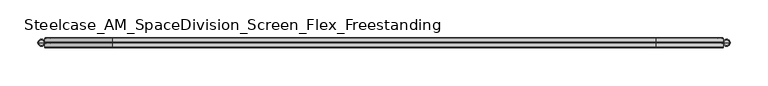
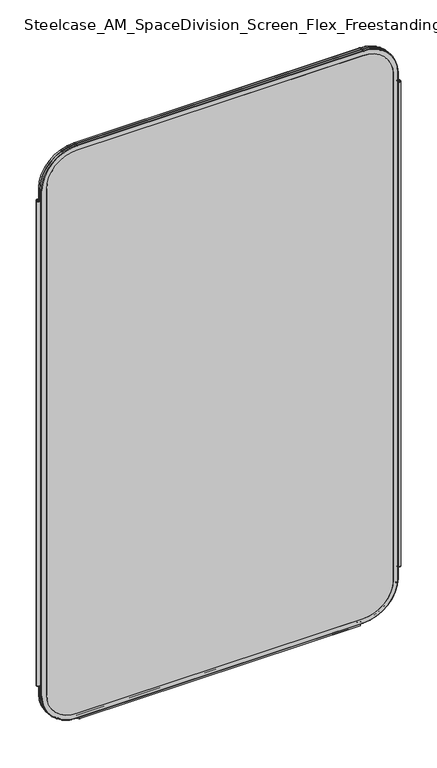
"""IFC4 building model written with IfcOpenShell, lengths in millimetres: furniture geometry, Steelcase_AM_SpaceDivision_Screen_Flex_Freestanding."""

from ifc_helpers import new_model, si_unit, point, frame, frame_2d, origin, place, context, project, spatial, polyline, circle_curve, ellipse_curve, trimmed, segment, composite_curve, outline, extrude, source, transform, mapped, element, save
from ifc_brep_helpers import plane_surface, cylinder_surface, revolved_surface, advanced_brep


def steelcase_am_spacedivision_screen_flex_freestanding_c9cfb70a(model_context):
    return source(origin(), model_context, "Body", "SolidModel", [
        advanced_brep(
        [(913.13, 0.0, 1408.43), (906.5294661, 0.0, 1408.43), (909.829733, 0.0, 1408.43), (914.4, 0.0, 1407.16), (905.2594661, 0.0, 1407.16), (914.4, 0.0, 121.92), (905.2594661, 0.0, 121.92), (913.13, 0.0, 120.65), (906.5294661, 0.0, 120.65), (909.829733, 0.0, 120.65)],
        [
            (0, 1, circle_curve(frame((909.829733, 0.0, 1408.43), z_axis=(0.0, 0.0, 1.0), x_axis=(-1.0, 0.0, 0.0)), 3.300267)),
            (1, 2),
            (2, 0),
            (1, 0, circle_curve(frame((909.829733, 0.0, 1408.43), z_axis=(0.0, 0.0, 1.0), x_axis=(-1.0, 0.0, 0.0)), 3.300267)),
            (3, 4, circle_curve(frame((909.829733, 0.0, 1407.16), z_axis=(0.0, 0.0, 1.0), x_axis=(-1.0, 0.0, 0.0)), 4.570267)),
            (4, 1, circle_curve(frame((906.5294661, 0.0, 1407.16), z_axis=(0.0, 1.0, 0.0), x_axis=(1.0, 0.0, 0.0)), 1.27)),
            (0, 3, circle_curve(frame((913.13, 0.0, 1407.16), z_axis=(0.0, 1.0, 0.0), x_axis=(-1.0, 0.0, 0.0)), 1.27)),
            (4, 3, circle_curve(frame((909.829733, 0.0, 1407.16), z_axis=(0.0, 0.0, 1.0), x_axis=(-1.0, 0.0, 0.0)), 4.570267)),
            (5, 6, circle_curve(frame((909.829733, 0.0, 121.92), z_axis=(0.0, 0.0, 1.0), x_axis=(-1.0, 0.0, 0.0)), 4.570267)),
            (6, 4),
            (3, 5),
            (6, 5, circle_curve(frame((909.829733, 0.0, 121.92), z_axis=(0.0, 0.0, 1.0), x_axis=(-1.0, 0.0, 0.0)), 4.570267)),
            (7, 8, circle_curve(frame((909.829733, 0.0, 120.65), z_axis=(0.0, 0.0, 1.0), x_axis=(-1.0, 0.0, 0.0)), 3.300267)),
            (8, 6, circle_curve(frame((906.5294661, 0.0, 121.92), z_axis=(0.0, 1.0, 0.0), x_axis=(1.0, 0.0, 0.0)), 1.27)),
            (5, 7, circle_curve(frame((913.13, 0.0, 121.92), z_axis=(0.0, 1.0, 0.0), x_axis=(-1.0, 0.0, 0.0)), 1.27)),
            (8, 7, circle_curve(frame((909.829733, 0.0, 120.65), z_axis=(0.0, 0.0, 1.0), x_axis=(-1.0, 0.0, 0.0)), 3.300267)),
            (9, 8),
            (7, 9),
        ],
        [
            plane_surface(frame((909.829733, 0.0, 1408.43), z_axis=(0.0, 0.0, 1.0), x_axis=(-1.0, 0.0, 0.0))),
            revolved_surface(trimmed(ellipse_curve(frame((906.5294661, 0.0, 1407.16), z_axis=(0.0, -1.0, 0.0), x_axis=(1.0, 0.0, 0.0)), 1.27, 1.27), [point((906.5294661, 0.0, 1408.43))], [point((905.2594661, 0.0, 1407.16))], True, "CARTESIAN"), (909.829733, 0.0, 112.3021634), (0.0, 0.0, -1.0)),
            cylinder_surface(frame((909.829733, 0.0, 112.3021634), z_axis=(0.0, 0.0, -1.0), x_axis=(-1.0, 0.0, 0.0)), 4.570267),
            revolved_surface(trimmed(ellipse_curve(frame((906.5294661, 0.0, 121.92), z_axis=(0.0, -1.0, 0.0), x_axis=(1.0, 0.0, 0.0)), 1.27, 1.27), [point((905.2594661, 0.0, 121.92))], [point((906.5294661, 0.0, 120.65))], True, "CARTESIAN"), (909.829733, 0.0, 112.3021634), (0.0, 0.0, -1.0)),
            plane_surface(frame((909.829733, 0.0, 120.65), z_axis=(0.0, 0.0, -1.0), x_axis=(-1.0, 0.0, 0.0))),
        ],
        [
            (0, [[1, 2, 3]]),
            (0, [[4, -3, -2]]),
            (1, [[5, 6, -1, 7]]),
            (1, [[8, -7, -4, -6]]),
            (2, [[9, 10, -5, 11]]),
            (2, [[12, -11, -8, -10]]),
            (3, [[13, 14, -9, 15]]),
            (3, [[16, -15, -12, -14]]),
            (4, [[17, -13, 18]]),
            (4, [[-18, -16, -17]]),
        ],
    ),
        advanced_brep(
        [(7.9329041, 0.0, 120.65), (1.232448, 0.0, 120.65), (0.0, 0.0, 121.882448), (9.1653521, 0.0, 121.882448), (4.582676, 0.0, 120.65), (7.8953521, 0.0, 1408.43), (1.27, 0.0, 1408.43), (4.582676, 0.0, 1408.43), (9.1653521, 0.0, 1407.16), (0.0, 0.0, 1407.16)],
        [
            (0, 1, circle_curve(frame((4.582676, 0.0, 120.65), z_axis=(0.0, 0.0, 1.0), x_axis=(-1.0, 0.0, 0.0)), 3.3502281)),
            (1, 2, circle_curve(frame((1.232448, 0.0, 121.882448), z_axis=(0.0, 1.0, 0.0), x_axis=(1.0, 0.0, 0.0)), 1.232448)),
            (2, 3, circle_curve(frame((4.582676, 0.0, 121.882448), z_axis=(0.0, 0.0, -1.0), x_axis=(-1.0, 0.0, 0.0)), 4.582676)),
            (3, 0, circle_curve(frame((7.9329041, 0.0, 121.882448), z_axis=(0.0, 1.0, 0.0), x_axis=(-1.0, 0.0, 0.0)), 1.232448)),
            (1, 0, circle_curve(frame((4.582676, 0.0, 120.65), z_axis=(0.0, 0.0, 1.0), x_axis=(-1.0, 0.0, 0.0)), 3.3502281)),
            (3, 2, circle_curve(frame((4.582676, 0.0, 121.882448), z_axis=(0.0, 0.0, -1.0), x_axis=(-1.0, 0.0, 0.0)), 4.582676)),
            (4, 1),
            (0, 4),
            (5, 6, circle_curve(frame((4.582676, 0.0, 1408.43), z_axis=(0.0, 0.0, 1.0), x_axis=(-1.0, 0.0, 0.0)), 3.312676)),
            (6, 7),
            (7, 5),
            (6, 5, circle_curve(frame((4.582676, 0.0, 1408.43), z_axis=(0.0, 0.0, 1.0), x_axis=(-1.0, 0.0, 0.0)), 3.312676)),
            (8, 9, circle_curve(frame((4.582676, 0.0, 1407.16), z_axis=(0.0, 0.0, 1.0), x_axis=(-1.0, 0.0, 0.0)), 4.582676)),
            (9, 6, circle_curve(frame((1.27, 0.0, 1407.16), z_axis=(0.0, 1.0, 0.0), x_axis=(1.0, 0.0, 0.0)), 1.27)),
            (5, 8, circle_curve(frame((7.8953521, 0.0, 1407.16), z_axis=(0.0, 1.0, 0.0), x_axis=(-1.0, 0.0, 0.0)), 1.27)),
            (9, 8, circle_curve(frame((4.582676, 0.0, 1407.16), z_axis=(0.0, 0.0, 1.0), x_axis=(-1.0, 0.0, 0.0)), 4.582676)),
            (2, 9),
            (8, 3),
        ],
        [
            revolved_surface(trimmed(ellipse_curve(frame((1.232448, 0.0, 121.882448), z_axis=(0.0, -1.0, 0.0), x_axis=(1.0, 0.0, 0.0)), 1.232448, 1.232448), [point((0.0, 0.0, 121.882448))], [point((1.232448, 0.0, 120.65))], True, "CARTESIAN"), (4.582676, 0.0, 110.6453157), (0.0, 0.0, -1.0)),
            plane_surface(frame((4.582676, 0.0, 120.65), z_axis=(0.0, 0.0, -1.0), x_axis=(-1.0, 0.0, 0.0))),
            plane_surface(frame((4.582676, 0.0, 1408.43), z_axis=(0.0, 0.0, 1.0), x_axis=(-1.0, 0.0, 0.0))),
            revolved_surface(trimmed(ellipse_curve(frame((1.27, 0.0, 1407.16), z_axis=(0.0, -1.0, 0.0), x_axis=(1.0, 0.0, 0.0)), 1.27, 1.27), [point((1.27, 0.0, 1408.43))], [point((0.0, 0.0, 1407.16))], True, "CARTESIAN"), (4.582676, 0.0, 110.6453157), (0.0, 0.0, -1.0)),
            cylinder_surface(frame((4.582676, 0.0, 110.6453157), z_axis=(0.0, 0.0, -1.0), x_axis=(-1.0, 0.0, 0.0)), 4.582676),
        ],
        [
            (0, [[1, 2, 3, 4]]),
            (0, [[5, -4, 6, -2]]),
            (1, [[7, -1, 8]]),
            (1, [[-8, -5, -7]]),
            (2, [[9, 10, 11]]),
            (2, [[12, -11, -10]]),
            (3, [[13, 14, -9, 15]]),
            (3, [[16, -15, -12, -14]]),
            (4, [[-3, 17, -13, 18]]),
            (4, [[-6, -18, -16, -17]]),
        ],
    ),
        extrude(outline(composite_curve([segment(trimmed(circle_curve(frame_2d((3.5, 2.4751953)), 2.5), [point((3.5, 4.9751953))], [point((1.4656663, 1.0220998))], False, "CARTESIAN"), True, "CONTINUOUS"), segment(trimmed(circle_curve(frame_2d((0.0, -0.0248047)), 1.8011626), [point((1.4656663, 1.0220998))], [point((-1.4656663, 1.0220998))], True, "CARTESIAN"), True, "CONTINUOUS"), segment(trimmed(circle_curve(frame_2d((-3.5, 2.4751953)), 2.5), [point((-1.4656663, 1.0220998))], [point((-3.5, 4.9751953))], False, "CARTESIAN"), True, "CONTINUOUS"), segment(trimmed(circle_curve(frame_2d((-3.5, 4.4751953)), 0.5), [point((-3.5, 4.9751953))], [point((-3.5, 3.9751953))], False, "CARTESIAN"), True, "CONTINUOUS"), segment(trimmed(circle_curve(frame_2d((-3.5, 2.4751953)), 1.5), [point((-3.5, 3.9751953))], [point((-2.3025096, 1.5718589))], True, "CARTESIAN"), True, "CONTINUOUS"), segment(trimmed(circle_curve(frame_2d((-10.3325937, 7.629417)), 10.0586411), [point((-2.3025096, 1.5718589))], [point((-0.714976, 4.6836248))], True, "CARTESIAN"), True, "CONTINUOUS"), segment(trimmed(circle_curve(frame_2d((0.0, 4.4646339)), 0.7477618), [point((-0.714976, 4.6836248))], [point((0.714976, 4.6836248))], False, "CARTESIAN"), True, "CONTINUOUS"), segment(trimmed(circle_curve(frame_2d((10.3325937, 7.629417)), 10.0586411), [point((0.714976, 4.6836248))], [point((2.3025096, 1.5718589))], True, "CARTESIAN"), True, "CONTINUOUS"), segment(trimmed(circle_curve(frame_2d((3.5, 2.4751953)), 1.5), [point((2.3025096, 1.5718589))], [point((3.5, 3.9751953))], True, "CARTESIAN"), True, "CONTINUOUS"), segment(trimmed(circle_curve(frame_2d((3.5, 4.4751953)), 0.5), [point((3.5, 3.9751953))], [point((3.5, 4.9751953))], False, "CARTESIAN"), True, "CONTINUOUS")], self_intersect=False)), frame((104.1640108, 0.0, 0.0), z_axis=(1.0, 0.0, 0.0), x_axis=(0.0, 1.0, 0.0)), (0.0, 0.0, 1.0), 706.0719784),
        extrude(outline(composite_curve([segment(trimmed(circle_curve(frame_2d((1435.1, 816.3594661)), 76.2), [point((1435.1, 892.5594661))], [point((1511.3, 816.3594661))], False, "CARTESIAN"), True, "CONTINUOUS"), segment(polyline([(1511.3, 816.3594661), (1511.3, 98.0653521)]), True, "CONTINUOUS"), segment(trimmed(circle_curve(frame_2d((1435.1, 98.0653521)), 76.2), [point((1511.3, 98.0653521))], [point((1435.1, 21.8653521))], False, "CARTESIAN"), True, "CONTINUOUS"), segment(polyline([(1435.1, 21.8653521), (93.8996464, 21.8653521)]), True, "CONTINUOUS"), segment(trimmed(circle_curve(frame_2d((93.8996464, 98.0653521)), 76.2), [point((93.8996464, 21.8653521))], [point((17.6996464, 98.0653521))], False, "CARTESIAN"), True, "CONTINUOUS"), segment(polyline([(17.6996464, 98.0653521), (17.6996464, 816.3594661)]), True, "CONTINUOUS"), segment(trimmed(circle_curve(frame_2d((93.8996464, 816.3594661)), 76.2), [point((17.6996464, 816.3594661))], [point((93.8996464, 892.5594661))], False, "CARTESIAN"), True, "CONTINUOUS"), segment(polyline([(93.8996464, 892.5594661), (1435.1, 892.5594661)]), True, "CONTINUOUS")], self_intersect=False)), frame((0.0, -6.477, 0.0), z_axis=(0.0, 1.0, 0.0), x_axis=(0.0, 0.0, 1.0)), (0.0, 0.0, 1.0), 12.954),
        advanced_brep(
        [(98.0653521, -6.477, 1511.3), (21.8653521, -6.477, 1435.1), (21.8653521, 6.477, 1435.1), (98.0653521, 6.477, 1511.3), (98.0653521, -5.715, 1524.0), (9.1653521, -5.715, 1435.1), (9.9273521, -6.477, 1435.1), (98.0653521, -6.477, 1523.238), (98.0653521, -0.8129491, 1524.0), (9.1653521, -0.8129491, 1435.1), (98.0653521, 0.0, 1523.4093579), (9.7559942, 0.0, 1435.1), (98.0653521, 0.8129491, 1524.0), (9.1653521, 0.8129491, 1435.1), (98.0653521, 5.715, 1524.0), (9.1653521, 5.715, 1435.1), (98.0653521, 6.477, 1523.238), (9.9273521, 6.477, 1435.1), (816.3594661, 6.477, 1511.3), (816.3594661, -6.477, 1511.3), (816.3594661, -6.477, 1523.238), (816.3594661, -5.715, 1524.0), (816.3594661, -0.8129491, 1524.0), (816.3594661, 0.0, 1523.4093579), (816.3594661, 0.8129491, 1524.0), (816.3594661, 5.715, 1524.0), (816.3594661, 6.477, 1523.238), (892.5594661, -6.477, 1435.1), (892.5594661, 6.477, 1435.1), (905.2594661, -5.715, 1435.1), (904.4974661, -6.477, 1435.1), (905.2594661, -0.8129491, 1435.1), (904.6688239, 0.0, 1435.1), (905.2594661, 0.8129491, 1435.1), (905.2594661, 5.715, 1435.1), (904.4974661, 6.477, 1435.1), (892.5594661, 6.477, 93.8996464), (892.5594661, -6.477, 93.8996464), (904.4974661, -6.477, 93.8996464), (905.2594661, -5.715, 93.8996464), (905.2594661, -0.8129491, 93.8996464), (904.6688239, 0.0, 93.8996464), (905.2594661, 0.8129491, 93.8996464), (905.2594661, 5.715, 93.8996464), (904.4974661, 6.477, 93.8996464), (816.3594661, -6.477, 17.6996464), (816.3594661, 6.477, 17.6996464), (816.3594661, -5.715, 4.9996464), (816.3594661, -6.477, 5.7616464), (816.3594661, -0.8129491, 4.9996464), (816.3594661, 0.0, 5.5902885), (816.3594661, 0.8129491, 4.9996464), (816.3594661, 5.715, 4.9996464), (816.3594661, 6.477, 5.7616464), (98.0653521, 6.477, 17.6996464), (98.0653521, -6.477, 17.6996464), (98.0653521, -6.477, 5.7616464), (98.0653521, -5.715, 4.9996464), (98.0653521, -0.8129491, 4.9996464), (98.0653521, 0.0, 5.5902885), (98.0653521, 0.8129491, 4.9996464), (98.0653521, 5.715, 4.9996464), (98.0653521, 6.477, 5.7616464), (21.8653521, -6.477, 93.8996464), (21.8653521, 6.477, 93.8996464), (9.1653521, -5.715, 93.8996464), (9.9273521, -6.477, 93.8996464), (9.1653521, -0.8129491, 93.8996464), (9.7559942, 0.0, 93.8996464), (9.1653521, 0.8129491, 93.8996464), (9.1653521, 5.715, 93.8996464), (9.9273521, 6.477, 93.8996464)],
        [
            (0, 1, circle_curve(frame((98.0653521, -6.477, 1435.1), z_axis=(0.0, -1.0, 0.0), x_axis=(-1.0, 0.0, 0.0)), 76.2)),
            (1, 2),
            (2, 3, circle_curve(frame((98.0653521, 6.477, 1435.1), z_axis=(0.0, 1.0, 0.0), x_axis=(-1.0, 0.0, 0.0)), 76.2)),
            (3, 0),
            (4, 5, circle_curve(frame((98.0653521, -5.715, 1435.1), z_axis=(0.0, -1.0, 0.0), x_axis=(-1.0, 0.0, 0.0)), 88.9)),
            (5, 6, circle_curve(frame((9.9273521, -5.715, 1435.1), z_axis=(0.0, 0.0, 1.0), x_axis=(-1.0, 0.0, 0.0)), 0.762)),
            (6, 7, circle_curve(frame((98.0653521, -6.477, 1435.1), z_axis=(0.0, 1.0, 0.0), x_axis=(-1.0, 0.0, 0.0)), 88.138)),
            (7, 4, circle_curve(frame((98.0653521, -5.715, 1523.238), z_axis=(-1.0, 0.0, 0.0), x_axis=(0.0, 0.0, 1.0)), 0.762)),
            (8, 9, circle_curve(frame((98.0653521, -0.8129491, 1435.1), z_axis=(0.0, -1.0, 0.0), x_axis=(-1.0, 0.0, 0.0)), 88.9)),
            (9, 5),
            (4, 8),
            (10, 11, circle_curve(frame((98.0653521, 0.0, 1435.1), z_axis=(0.0, -1.0, 0.0), x_axis=(-1.0, 0.0, 0.0)), 88.3093579)),
            (11, 9, circle_curve(frame((10.0201374, -0.8129491, 1435.1), z_axis=(0.0, 0.0, 1.0), x_axis=(-1.0, 0.0, 0.0)), 0.8547853)),
            (8, 10, circle_curve(frame((98.0653521, -0.8129491, 1523.1452147), z_axis=(-1.0, 0.0, 0.0), x_axis=(0.0, 0.0, 1.0)), 0.8547853)),
            (12, 13, circle_curve(frame((98.0653521, 0.8129491, 1435.1), z_axis=(0.0, -1.0, 0.0), x_axis=(-1.0, 0.0, 0.0)), 88.9)),
            (13, 11, circle_curve(frame((10.0201374, 0.8129491, 1435.1), z_axis=(0.0, 0.0, 1.0), x_axis=(-1.0, 0.0, 0.0)), 0.8547853)),
            (10, 12, circle_curve(frame((98.0653521, 0.8129491, 1523.1452147), z_axis=(-1.0, 0.0, 0.0), x_axis=(0.0, 0.0, 1.0)), 0.8547853)),
            (14, 15, circle_curve(frame((98.0653521, 5.715, 1435.1), z_axis=(0.0, -1.0, 0.0), x_axis=(-1.0, 0.0, 0.0)), 88.9)),
            (15, 13),
            (12, 14),
            (16, 17, circle_curve(frame((98.0653521, 6.477, 1435.1), z_axis=(0.0, -1.0, 0.0), x_axis=(-1.0, 0.0, 0.0)), 88.138)),
            (17, 15, circle_curve(frame((9.9273521, 5.715, 1435.1), z_axis=(0.0, 0.0, 1.0), x_axis=(-1.0, 0.0, 0.0)), 0.762)),
            (14, 16, circle_curve(frame((98.0653521, 5.715, 1523.238), z_axis=(-1.0, 0.0, 0.0), x_axis=(0.0, 0.0, 1.0)), 0.762)),
            (3, 18),
            (18, 19),
            (19, 0),
            (7, 20),
            (20, 21, circle_curve(frame((816.3594661, -5.715, 1523.238), z_axis=(-1.0, 0.0, 0.0), x_axis=(0.0, 0.0, 1.0)), 0.762)),
            (21, 4),
            (21, 22),
            (22, 8),
            (22, 23, circle_curve(frame((816.3594661, -0.8129491, 1523.1452147), z_axis=(-1.0, 0.0, 0.0), x_axis=(0.0, 0.0, 1.0)), 0.8547853)),
            (23, 10),
            (23, 24, circle_curve(frame((816.3594661, 0.8129491, 1523.1452147), z_axis=(-1.0, 0.0, 0.0), x_axis=(0.0, 0.0, 1.0)), 0.8547853)),
            (24, 12),
            (24, 25),
            (25, 14),
            (25, 26, circle_curve(frame((816.3594661, 5.715, 1523.238), z_axis=(-1.0, 0.0, 0.0), x_axis=(0.0, 0.0, 1.0)), 0.762)),
            (26, 16),
            (27, 19, circle_curve(frame((816.3594661, -6.477, 1435.1), z_axis=(0.0, -1.0, 0.0), x_axis=(0.0, 0.0, 1.0)), 76.2)),
            (18, 28, circle_curve(frame((816.3594661, 6.477, 1435.1), z_axis=(0.0, 1.0, 0.0), x_axis=(0.0, 0.0, 1.0)), 76.2)),
            (28, 27),
            (29, 21, circle_curve(frame((816.3594661, -5.715, 1435.1), z_axis=(0.0, -1.0, 0.0), x_axis=(0.0, 0.0, 1.0)), 88.9)),
            (20, 30, circle_curve(frame((816.3594661, -6.477, 1435.1), z_axis=(0.0, 1.0, 0.0), x_axis=(0.0, 0.0, 1.0)), 88.138)),
            (30, 29, circle_curve(frame((904.4974661, -5.715, 1435.1), z_axis=(0.0, 0.0, 1.0), x_axis=(1.0, 0.0, 0.0)), 0.762)),
            (31, 22, circle_curve(frame((816.3594661, -0.8129491, 1435.1), z_axis=(0.0, -1.0, 0.0), x_axis=(0.0, 0.0, 1.0)), 88.9)),
            (29, 31),
            (32, 23, circle_curve(frame((816.3594661, 0.0, 1435.1), z_axis=(0.0, -1.0, 0.0), x_axis=(0.0, 0.0, 1.0)), 88.3093579)),
            (31, 32, circle_curve(frame((904.4046808, -0.8129491, 1435.1), z_axis=(0.0, 0.0, 1.0), x_axis=(1.0, 0.0, 0.0)), 0.8547853)),
            (33, 24, circle_curve(frame((816.3594661, 0.8129491, 1435.1), z_axis=(0.0, -1.0, 0.0), x_axis=(0.0, 0.0, 1.0)), 88.9)),
            (32, 33, circle_curve(frame((904.4046808, 0.8129491, 1435.1), z_axis=(0.0, 0.0, 1.0), x_axis=(1.0, 0.0, 0.0)), 0.8547853)),
            (34, 25, circle_curve(frame((816.3594661, 5.715, 1435.1), z_axis=(0.0, -1.0, 0.0), x_axis=(0.0, 0.0, 1.0)), 88.9)),
            (33, 34),
            (35, 26, circle_curve(frame((816.3594661, 6.477, 1435.1), z_axis=(0.0, -1.0, 0.0), x_axis=(0.0, 0.0, 1.0)), 88.138)),
            (34, 35, circle_curve(frame((904.4974661, 5.715, 1435.1), z_axis=(0.0, 0.0, 1.0), x_axis=(1.0, 0.0, 0.0)), 0.762)),
            (28, 36),
            (36, 37),
            (37, 27),
            (30, 38),
            (38, 39, circle_curve(frame((904.4974661, -5.715, 93.8996464), z_axis=(0.0, 0.0, 1.0), x_axis=(1.0, 0.0, 0.0)), 0.762)),
            (39, 29),
            (39, 40),
            (40, 31),
            (40, 41, circle_curve(frame((904.4046808, -0.8129491, 93.8996464), z_axis=(0.0, 0.0, 1.0), x_axis=(1.0, 0.0, 0.0)), 0.8547853)),
            (41, 32),
            (41, 42, circle_curve(frame((904.4046808, 0.8129491, 93.8996464), z_axis=(0.0, 0.0, 1.0), x_axis=(1.0, 0.0, 0.0)), 0.8547853)),
            (42, 33),
            (42, 43),
            (43, 34),
            (43, 44, circle_curve(frame((904.4974661, 5.715, 93.8996464), z_axis=(0.0, 0.0, 1.0), x_axis=(1.0, 0.0, 0.0)), 0.762)),
            (44, 35),
            (45, 37, circle_curve(frame((816.3594661, -6.477, 93.8996464), z_axis=(0.0, -1.0, 0.0), x_axis=(1.0, 0.0, 0.0)), 76.2)),
            (36, 46, circle_curve(frame((816.3594661, 6.477, 93.8996464), z_axis=(0.0, 1.0, 0.0), x_axis=(1.0, 0.0, 0.0)), 76.2)),
            (46, 45),
            (47, 39, circle_curve(frame((816.3594661, -5.715, 93.8996464), z_axis=(0.0, -1.0, 0.0), x_axis=(1.0, 0.0, 0.0)), 88.9)),
            (38, 48, circle_curve(frame((816.3594661, -6.477, 93.8996464), z_axis=(0.0, 1.0, 0.0), x_axis=(1.0, 0.0, 0.0)), 88.138)),
            (48, 47, circle_curve(frame((816.3594661, -5.715, 5.7616464), z_axis=(1.0, 0.0, 0.0), x_axis=(0.0, 0.0, -1.0)), 0.762)),
            (49, 40, circle_curve(frame((816.3594661, -0.8129491, 93.8996464), z_axis=(0.0, -1.0, 0.0), x_axis=(1.0, 0.0, 0.0)), 88.9)),
            (47, 49),
            (50, 41, circle_curve(frame((816.3594661, 0.0, 93.8996464), z_axis=(0.0, -1.0, 0.0), x_axis=(1.0, 0.0, 0.0)), 88.3093579)),
            (49, 50, circle_curve(frame((816.3594661, -0.8129491, 5.8544317), z_axis=(1.0, 0.0, 0.0), x_axis=(0.0, 0.0, -1.0)), 0.8547853)),
            (51, 42, circle_curve(frame((816.3594661, 0.8129491, 93.8996464), z_axis=(0.0, -1.0, 0.0), x_axis=(1.0, 0.0, 0.0)), 88.9)),
            (50, 51, circle_curve(frame((816.3594661, 0.8129491, 5.8544317), z_axis=(1.0, 0.0, 0.0), x_axis=(0.0, 0.0, -1.0)), 0.8547853)),
            (52, 43, circle_curve(frame((816.3594661, 5.715, 93.8996464), z_axis=(0.0, -1.0, 0.0), x_axis=(1.0, 0.0, 0.0)), 88.9)),
            (51, 52),
            (53, 44, circle_curve(frame((816.3594661, 6.477, 93.8996464), z_axis=(0.0, -1.0, 0.0), x_axis=(1.0, 0.0, 0.0)), 88.138)),
            (52, 53, circle_curve(frame((816.3594661, 5.715, 5.7616464), z_axis=(1.0, 0.0, 0.0), x_axis=(0.0, 0.0, -1.0)), 0.762)),
            (46, 54),
            (54, 55),
            (55, 45),
            (48, 56),
            (56, 57, circle_curve(frame((98.0653521, -5.715, 5.7616464), z_axis=(1.0, 0.0, 0.0), x_axis=(0.0, 0.0, -1.0)), 0.762)),
            (57, 47),
            (57, 58),
            (58, 49),
            (58, 59, circle_curve(frame((98.0653521, -0.8129491, 5.8544317), z_axis=(1.0, 0.0, 0.0), x_axis=(0.0, 0.0, -1.0)), 0.8547853)),
            (59, 50),
            (59, 60, circle_curve(frame((98.0653521, 0.8129491, 5.8544317), z_axis=(1.0, 0.0, 0.0), x_axis=(0.0, 0.0, -1.0)), 0.8547853)),
            (60, 51),
            (60, 61),
            (61, 52),
            (61, 62, circle_curve(frame((98.0653521, 5.715, 5.7616464), z_axis=(1.0, 0.0, 0.0), x_axis=(0.0, 0.0, -1.0)), 0.762)),
            (62, 53),
            (63, 55, circle_curve(frame((98.0653521, -6.477, 93.8996464), z_axis=(0.0, -1.0, 0.0), x_axis=(0.0, 0.0, -1.0)), 76.2)),
            (54, 64, circle_curve(frame((98.0653521, 6.477, 93.8996464), z_axis=(0.0, 1.0, 0.0), x_axis=(0.0, 0.0, -1.0)), 76.2)),
            (64, 63),
            (65, 57, circle_curve(frame((98.0653521, -5.715, 93.8996464), z_axis=(0.0, -1.0, 0.0), x_axis=(0.0, 0.0, -1.0)), 88.9)),
            (56, 66, circle_curve(frame((98.0653521, -6.477, 93.8996464), z_axis=(0.0, 1.0, 0.0), x_axis=(0.0, 0.0, -1.0)), 88.138)),
            (66, 65, circle_curve(frame((9.9273521, -5.715, 93.8996464), z_axis=(0.0, 0.0, -1.0), x_axis=(-1.0, 0.0, 0.0)), 0.762)),
            (67, 58, circle_curve(frame((98.0653521, -0.8129491, 93.8996464), z_axis=(0.0, -1.0, 0.0), x_axis=(0.0, 0.0, -1.0)), 88.9)),
            (65, 67),
            (68, 59, circle_curve(frame((98.0653521, 0.0, 93.8996464), z_axis=(0.0, -1.0, 0.0), x_axis=(0.0, 0.0, -1.0)), 88.3093579)),
            (67, 68, circle_curve(frame((10.0201374, -0.8129491, 93.8996464), z_axis=(0.0, 0.0, -1.0), x_axis=(-1.0, 0.0, 0.0)), 0.8547853)),
            (69, 60, circle_curve(frame((98.0653521, 0.8129491, 93.8996464), z_axis=(0.0, -1.0, 0.0), x_axis=(0.0, 0.0, -1.0)), 88.9)),
            (68, 69, circle_curve(frame((10.0201374, 0.8129491, 93.8996464), z_axis=(0.0, 0.0, -1.0), x_axis=(-1.0, 0.0, 0.0)), 0.8547853)),
            (70, 61, circle_curve(frame((98.0653521, 5.715, 93.8996464), z_axis=(0.0, -1.0, 0.0), x_axis=(0.0, 0.0, -1.0)), 88.9)),
            (69, 70),
            (71, 62, circle_curve(frame((98.0653521, 6.477, 93.8996464), z_axis=(0.0, -1.0, 0.0), x_axis=(0.0, 0.0, -1.0)), 88.138)),
            (70, 71, circle_curve(frame((9.9273521, 5.715, 93.8996464), z_axis=(0.0, 0.0, -1.0), x_axis=(-1.0, 0.0, 0.0)), 0.762)),
            (64, 2),
            (1, 63),
            (6, 66),
            (5, 65),
            (9, 67),
            (11, 68),
            (13, 69),
            (15, 70),
            (17, 71),
        ],
        [
            revolved_surface(polyline([(21.865352099999996, 6.477, 1435.1), (21.865352099999996, -6.477, 1435.1)]), (98.0653521, 0.0, 1435.1), (0.0, 1.0, 0.0)),
            revolved_surface(trimmed(ellipse_curve(frame((9.9273521, -5.715, 1435.1), z_axis=(0.0, 0.0, -1.0), x_axis=(-1.0, 0.0, 0.0)), 0.762, 0.762), [point((9.9273521, -6.477, 1435.1))], [point((9.1653521, -5.715, 1435.1))], True, "CARTESIAN"), (98.0653521, 0.0, 1435.1), (0.0, 1.0, 0.0)),
            cylinder_surface(frame((98.0653521, 0.0, 1435.1), z_axis=(0.0, 1.0, 0.0), x_axis=(-1.0, 0.0, 0.0)), 88.9),
            revolved_surface(trimmed(ellipse_curve(frame((10.0201374, -0.8129491, 1435.1), z_axis=(0.0, 0.0, -1.0), x_axis=(-1.0, 0.0, 0.0)), 0.8547853, 0.8547853), [point((9.1653521, -0.8129491, 1435.1))], [point((9.7559942, 0.0, 1435.1))], True, "CARTESIAN"), (98.0653521, 0.0, 1435.1), (0.0, 1.0, 0.0)),
            revolved_surface(trimmed(ellipse_curve(frame((10.0201374, 0.8129491, 1435.1), z_axis=(0.0, 0.0, -1.0), x_axis=(-1.0, 0.0, 0.0)), 0.8547853, 0.8547853), [point((9.7559942, 0.0, 1435.1))], [point((9.1653521, 0.8129491, 1435.1))], True, "CARTESIAN"), (98.0653521, 0.0, 1435.1), (0.0, 1.0, 0.0)),
            revolved_surface(trimmed(ellipse_curve(frame((9.9273521, 5.715, 1435.1), z_axis=(0.0, 0.0, -1.0), x_axis=(-1.0, 0.0, 0.0)), 0.762, 0.762), [point((9.1653521, 5.715, 1435.1))], [point((9.9273521, 6.477, 1435.1))], True, "CARTESIAN"), (98.0653521, 0.0, 1435.1), (0.0, 1.0, 0.0)),
            plane_surface(frame((98.0653521, 6.477, 1511.3), z_axis=(0.0, 0.0, -1.0), x_axis=(1.0, 0.0, 0.0))),
            cylinder_surface(frame((98.0653521, -5.715, 1523.238), z_axis=(-1.0, 0.0, 0.0), x_axis=(0.0, 0.0, 1.0)), 0.762),
            plane_surface(frame((98.0653521, -5.715, 1524.0), z_axis=(0.0, 0.0, 1.0), x_axis=(1.0, 0.0, 0.0))),
            cylinder_surface(frame((98.0653521, -0.8129491, 1523.1452147), z_axis=(-1.0, 0.0, 0.0), x_axis=(0.0, 0.0, 1.0)), 0.8547853),
            cylinder_surface(frame((98.0653521, 0.8129491, 1523.1452147), z_axis=(-1.0, 0.0, 0.0), x_axis=(0.0, 0.0, 1.0)), 0.8547853),
            plane_surface(frame((98.0653521, 0.8129491, 1524.0), z_axis=(0.0, 0.0, 1.0), x_axis=(1.0, 0.0, 0.0))),
            cylinder_surface(frame((98.0653521, 5.715, 1523.238), z_axis=(-1.0, 0.0, 0.0), x_axis=(0.0, 0.0, 1.0)), 0.762),
            revolved_surface(polyline([(816.3594661, 6.477, 1511.3), (816.3594661, -6.477, 1511.3)]), (816.3594661, 0.0, 1435.1), (0.0, 1.0, 0.0)),
            revolved_surface(trimmed(ellipse_curve(frame((816.3594661, -5.715, 1523.238), z_axis=(-1.0, 0.0, 0.0), x_axis=(0.0, 0.0, 1.0)), 0.762, 0.762), [point((816.3594661, -6.477, 1523.238))], [point((816.3594661, -5.715, 1524.0))], True, "CARTESIAN"), (816.3594661, 0.0, 1435.1), (0.0, 1.0, 0.0)),
            cylinder_surface(frame((816.3594661, 0.0, 1435.1), z_axis=(0.0, 1.0, 0.0), x_axis=(0.0, 0.0, 1.0)), 88.9),
            revolved_surface(trimmed(ellipse_curve(frame((816.3594661, -0.8129491, 1523.1452147), z_axis=(-1.0, 0.0, 0.0), x_axis=(0.0, 0.0, 1.0)), 0.8547853, 0.8547853), [point((816.3594661, -0.8129491, 1524.0))], [point((816.3594661, 0.0, 1523.4093579))], True, "CARTESIAN"), (816.3594661, 0.0, 1435.1), (0.0, 1.0, 0.0)),
            revolved_surface(trimmed(ellipse_curve(frame((816.3594661, 0.8129491, 1523.1452147), z_axis=(-1.0, 0.0, 0.0), x_axis=(0.0, 0.0, 1.0)), 0.8547853, 0.8547853), [point((816.3594661, 0.0, 1523.4093579))], [point((816.3594661, 0.8129491, 1524.0))], True, "CARTESIAN"), (816.3594661, 0.0, 1435.1), (0.0, 1.0, 0.0)),
            revolved_surface(trimmed(ellipse_curve(frame((816.3594661, 5.715, 1523.238), z_axis=(-1.0, 0.0, 0.0), x_axis=(0.0, 0.0, 1.0)), 0.762, 0.762), [point((816.3594661, 5.715, 1524.0))], [point((816.3594661, 6.477, 1523.238))], True, "CARTESIAN"), (816.3594661, 0.0, 1435.1), (0.0, 1.0, 0.0)),
            plane_surface(frame((892.5594661, 6.477, 1435.1), z_axis=(-1.0, 0.0, 0.0), x_axis=(0.0, 0.0, -1.0))),
            cylinder_surface(frame((904.4974661, -5.715, 1435.1), z_axis=(0.0, 0.0, 1.0), x_axis=(1.0, 0.0, 0.0)), 0.762),
            plane_surface(frame((905.2594661, -5.715, 1435.1), z_axis=(1.0, 0.0, 0.0), x_axis=(0.0, 0.0, -1.0))),
            cylinder_surface(frame((904.4046808, -0.8129491, 1435.1), z_axis=(0.0, 0.0, 1.0), x_axis=(1.0, 0.0, 0.0)), 0.8547853),
            cylinder_surface(frame((904.4046808, 0.8129491, 1435.1), z_axis=(0.0, 0.0, 1.0), x_axis=(1.0, 0.0, 0.0)), 0.8547853),
            plane_surface(frame((905.2594661, 0.8129491, 1435.1), z_axis=(1.0, 0.0, 0.0), x_axis=(0.0, 0.0, -1.0))),
            cylinder_surface(frame((904.4974661, 5.715, 1435.1), z_axis=(0.0, 0.0, 1.0), x_axis=(1.0, 0.0, 0.0)), 0.762),
            revolved_surface(polyline([(892.5594661, 6.477, 93.8996464), (892.5594661, -6.477, 93.8996464)]), (816.3594661, 0.0, 93.8996464), (0.0, 1.0, 0.0)),
            revolved_surface(trimmed(ellipse_curve(frame((904.4974661, -5.715, 93.8996464), z_axis=(0.0, 0.0, 1.0), x_axis=(1.0, 0.0, 0.0)), 0.762, 0.762), [point((904.4974661, -6.477, 93.8996464))], [point((905.2594661, -5.715, 93.8996464))], True, "CARTESIAN"), (816.3594661, 0.0, 93.8996464), (0.0, 1.0, 0.0)),
            cylinder_surface(frame((816.3594661, 0.0, 93.8996464), z_axis=(0.0, 1.0, 0.0), x_axis=(1.0, 0.0, 0.0)), 88.9),
            revolved_surface(trimmed(ellipse_curve(frame((904.4046808, -0.8129491, 93.8996464), z_axis=(0.0, 0.0, 1.0), x_axis=(1.0, 0.0, 0.0)), 0.8547853, 0.8547853), [point((905.2594661, -0.8129491, 93.8996464))], [point((904.6688239, 0.0, 93.8996464))], True, "CARTESIAN"), (816.3594661, 0.0, 93.8996464), (0.0, 1.0, 0.0)),
            revolved_surface(trimmed(ellipse_curve(frame((904.4046808, 0.8129491, 93.8996464), z_axis=(0.0, 0.0, 1.0), x_axis=(1.0, 0.0, 0.0)), 0.8547853, 0.8547853), [point((904.6688239, 0.0, 93.8996464))], [point((905.2594661, 0.8129491, 93.8996464))], True, "CARTESIAN"), (816.3594661, 0.0, 93.8996464), (0.0, 1.0, 0.0)),
            revolved_surface(trimmed(ellipse_curve(frame((904.4974661, 5.715, 93.8996464), z_axis=(0.0, 0.0, 1.0), x_axis=(1.0, 0.0, 0.0)), 0.762, 0.762), [point((905.2594661, 5.715, 93.8996464))], [point((904.4974661, 6.477, 93.8996464))], True, "CARTESIAN"), (816.3594661, 0.0, 93.8996464), (0.0, 1.0, 0.0)),
            plane_surface(frame((816.3594661, 6.477, 17.6996464), z_axis=(0.0, 0.0, 1.0), x_axis=(-1.0, 0.0, 0.0))),
            cylinder_surface(frame((816.3594661, -5.715, 5.7616464), z_axis=(1.0, 0.0, 0.0), x_axis=(0.0, 0.0, -1.0)), 0.762),
            plane_surface(frame((816.3594661, -5.715, 4.9996464), z_axis=(0.0, 0.0, -1.0), x_axis=(-1.0, 0.0, 0.0))),
            cylinder_surface(frame((816.3594661, -0.8129491, 5.8544317), z_axis=(1.0, 0.0, 0.0), x_axis=(0.0, 0.0, -1.0)), 0.8547853),
            cylinder_surface(frame((816.3594661, 0.8129491, 5.8544317), z_axis=(1.0, 0.0, 0.0), x_axis=(0.0, 0.0, -1.0)), 0.8547853),
            plane_surface(frame((816.3594661, 0.8129491, 4.9996464), z_axis=(0.0, 0.0, -1.0), x_axis=(-1.0, 0.0, 0.0))),
            cylinder_surface(frame((816.3594661, 5.715, 5.7616464), z_axis=(1.0, 0.0, 0.0), x_axis=(0.0, 0.0, -1.0)), 0.762),
            revolved_surface(polyline([(98.0653521, 6.477, 17.699646399999992), (98.0653521, -6.477, 17.699646399999992)]), (98.0653521, 0.0, 93.8996464), (0.0, 1.0, 0.0)),
            revolved_surface(trimmed(ellipse_curve(frame((98.0653521, -5.715, 5.7616464), z_axis=(1.0, 0.0, 0.0), x_axis=(0.0, 0.0, -1.0)), 0.762, 0.762), [point((98.0653521, -6.477, 5.7616464))], [point((98.0653521, -5.715, 4.9996464))], True, "CARTESIAN"), (98.0653521, 0.0, 93.8996464), (0.0, 1.0, 0.0)),
            cylinder_surface(frame((98.0653521, 0.0, 93.8996464), z_axis=(0.0, 1.0, 0.0), x_axis=(0.0, 0.0, -1.0)), 88.9),
            revolved_surface(trimmed(ellipse_curve(frame((98.0653521, -0.8129491, 5.8544317), z_axis=(1.0, 0.0, 0.0), x_axis=(0.0, 0.0, -1.0)), 0.8547853, 0.8547853), [point((98.0653521, -0.8129491, 4.9996464))], [point((98.0653521, 0.0, 5.5902885))], True, "CARTESIAN"), (98.0653521, 0.0, 93.8996464), (0.0, 1.0, 0.0)),
            revolved_surface(trimmed(ellipse_curve(frame((98.0653521, 0.8129491, 5.8544317), z_axis=(1.0, 0.0, 0.0), x_axis=(0.0, 0.0, -1.0)), 0.8547853, 0.8547853), [point((98.0653521, 0.0, 5.5902885))], [point((98.0653521, 0.8129491, 4.9996464))], True, "CARTESIAN"), (98.0653521, 0.0, 93.8996464), (0.0, 1.0, 0.0)),
            revolved_surface(trimmed(ellipse_curve(frame((98.0653521, 5.715, 5.7616464), z_axis=(1.0, 0.0, 0.0), x_axis=(0.0, 0.0, -1.0)), 0.762, 0.762), [point((98.0653521, 5.715, 4.9996464))], [point((98.0653521, 6.477, 5.7616464))], True, "CARTESIAN"), (98.0653521, 0.0, 93.8996464), (0.0, 1.0, 0.0)),
            plane_surface(frame((21.8653521, 6.477, 93.8996464), z_axis=(1.0, 0.0, 0.0), x_axis=(0.0, 0.0, 1.0))),
            plane_surface(frame((21.8653521, -6.477, 93.8996464), z_axis=(0.0, -1.0, 0.0), x_axis=(0.0, 0.0, 1.0))),
            cylinder_surface(frame((9.9273521, -5.715, 93.8996464), z_axis=(0.0, 0.0, -1.0), x_axis=(-1.0, 0.0, 0.0)), 0.762),
            plane_surface(frame((9.1653521, -5.715, 93.8996464), z_axis=(-1.0, 0.0, 0.0), x_axis=(0.0, 0.0, 1.0))),
            cylinder_surface(frame((10.0201374, -0.8129491, 93.8996464), z_axis=(0.0, 0.0, -1.0), x_axis=(-1.0, 0.0, 0.0)), 0.8547853),
            cylinder_surface(frame((10.0201374, 0.8129491, 93.8996464), z_axis=(0.0, 0.0, -1.0), x_axis=(-1.0, 0.0, 0.0)), 0.8547853),
            plane_surface(frame((9.1653521, 0.8129491, 93.8996464), z_axis=(-1.0, 0.0, 0.0), x_axis=(0.0, 0.0, 1.0))),
            cylinder_surface(frame((9.9273521, 5.715, 93.8996464), z_axis=(0.0, 0.0, -1.0), x_axis=(-1.0, 0.0, 0.0)), 0.762),
            plane_surface(frame((9.9273521, 6.477, 93.8996464), z_axis=(0.0, 1.0, 0.0), x_axis=(0.0, 0.0, 1.0))),
        ],
        [
            (0, [[1, 2, 3, 4]]),
            (1, [[5, 6, 7, 8]]),
            (2, [[9, 10, -5, 11]]),
            (3, [[12, 13, -9, 14]]),
            (4, [[15, 16, -12, 17]]),
            (2, [[18, 19, -15, 20]]),
            (5, [[21, 22, -18, 23]]),
            (6, [[-4, 24, 25, 26]]),
            (7, [[-8, 27, 28, 29]]),
            (8, [[-11, -29, 30, 31]]),
            (9, [[-14, -31, 32, 33]]),
            (10, [[-17, -33, 34, 35]]),
            (11, [[-20, -35, 36, 37]]),
            (12, [[-23, -37, 38, 39]]),
            (13, [[40, -25, 41, 42]]),
            (14, [[43, -28, 44, 45]]),
            (15, [[46, -30, -43, 47]]),
            (16, [[48, -32, -46, 49]]),
            (17, [[50, -34, -48, 51]]),
            (15, [[52, -36, -50, 53]]),
            (18, [[54, -38, -52, 55]]),
            (19, [[-42, 56, 57, 58]]),
            (20, [[-45, 59, 60, 61]]),
            (21, [[-47, -61, 62, 63]]),
            (22, [[-49, -63, 64, 65]]),
            (23, [[-51, -65, 66, 67]]),
            (24, [[-53, -67, 68, 69]]),
            (25, [[-55, -69, 70, 71]]),
            (26, [[72, -57, 73, 74]]),
            (27, [[75, -60, 76, 77]]),
            (28, [[78, -62, -75, 79]]),
            (29, [[80, -64, -78, 81]]),
            (30, [[82, -66, -80, 83]]),
            (28, [[84, -68, -82, 85]]),
            (31, [[86, -70, -84, 87]]),
            (32, [[-74, 88, 89, 90]]),
            (33, [[-77, 91, 92, 93]]),
            (34, [[-79, -93, 94, 95]]),
            (35, [[-81, -95, 96, 97]]),
            (36, [[-83, -97, 98, 99]]),
            (37, [[-85, -99, 100, 101]]),
            (38, [[-87, -101, 102, 103]]),
            (39, [[104, -89, 105, 106]]),
            (40, [[107, -92, 108, 109]]),
            (41, [[110, -94, -107, 111]]),
            (42, [[112, -96, -110, 113]]),
            (43, [[114, -98, -112, 115]]),
            (41, [[116, -100, -114, 117]]),
            (44, [[118, -102, -116, 119]]),
            (45, [[-106, 120, -2, 121]]),
            (46, [[122, -108, -91, -76, -59, -44, -27, -7], [-90, -104, -121, -1, -26, -40, -58, -72]]),
            (47, [[-109, -122, -6, 123]]),
            (48, [[-111, -123, -10, 124]]),
            (49, [[-113, -124, -13, 125]]),
            (50, [[-115, -125, -16, 126]]),
            (51, [[-117, -126, -19, 127]]),
            (52, [[-119, -127, -22, 128]]),
            (53, [[-103, -118, -128, -21, -39, -54, -71, -86], [-120, -105, -88, -73, -56, -41, -24, -3]]),
        ],
    ),
    ])


if __name__ == "__main__":
    model = new_model("IFC4")
    model_context = context("Model", 3, world=origin())
    ifc_project = project(units=[si_unit("LENGTHUNIT", "METRE", prefix="MILLI")], contexts=[model_context])
    site = spatial("IfcSite", under=ifc_project)
    building = spatial("IfcBuilding", under=site)
    placement = place(None, origin())
    steelcase_am_spacedivision_screen_flex_freestanding_shape = steelcase_am_spacedivision_screen_flex_freestanding_c9cfb70a(model_context)
    element("IfcFurniture", 1, ObjectType="Steelcase_AM_SpaceDivision_Screen_Flex_Freestanding", at=placement, inside=building, context=model_context, shape_type="MappedRepresentation", body=[
        mapped(steelcase_am_spacedivision_screen_flex_freestanding_shape, transform((0.0, 0.0, 0.0), x_axis=(1.0, 0.0, 0.0), y_axis=(0.0, 1.0, 0.0), z_axis=(0.0, 0.0, 1.0))),
    ])
    save(model, "model.ifc")
